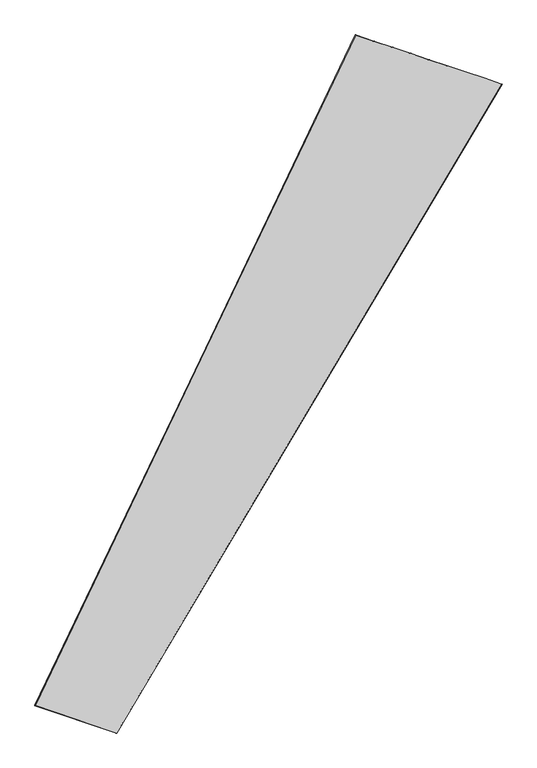
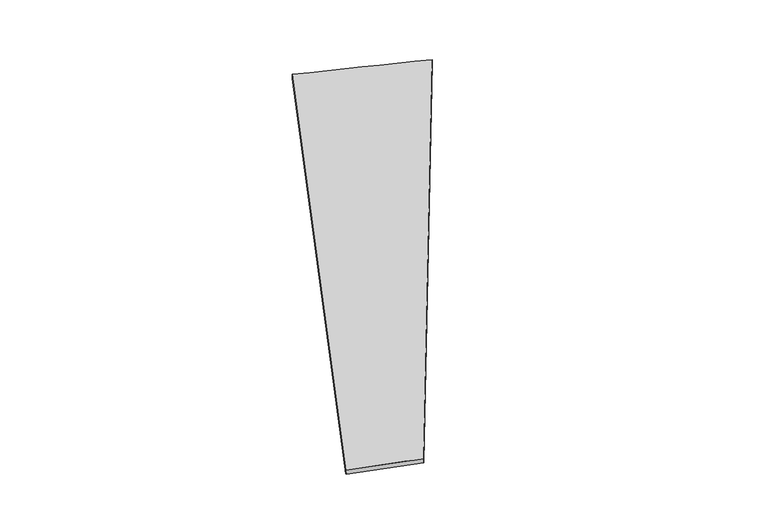
"""IFC4 building model written with IfcOpenShell, lengths in millimetres: proxy geometry."""

from ifc_helpers import new_model, si_unit, origin, place, context, project, spatial, source, transform, mapped, element, save
from ifc_brep_helpers import spline_surface, advanced_brep


def generic_models_9228e976(model_context):
    return source(origin(), model_context, "Body", "AdvancedBrep", [
        advanced_brep(
        [(-661.1572719, -1674.9317554, 9.1243144), (-661.7805902, -1674.6827497, -20.8681758), (1430.2085624, 1846.6880039, -35.0968652), (1430.0821703, 1846.8841998, -5.0977731), (-1101.7180278, -1526.4270851, -38.9654303), (634.814311, 2113.7418552, -24.8841586), (-1104.5640421, -1525.1825498, -9.1266748), (635.6391436, 2113.2301053, 5.1001334)],
        [
            (0, 1),
            (1, 2),
            (2, 3),
            (3, 0),
            (1, 4),
            (4, 5),
            (5, 2),
            (4, 6),
            (6, 7),
            (7, 5),
            (6, 0),
            (3, 7),
        ],
        [
            spline_surface(1, 1, [[(-661.1572719, -1674.9317554, 9.1243144), (1430.0821703, 1846.8841998, -5.0977731)], [(-661.7805902, -1674.6827497, -20.8681758), (1430.2085624, 1846.6880039, -35.0968652)]], [2, 2], [2, 2], [0.0, 1.0], [0.0, 1.0]),
            spline_surface(1, 1, [[(-661.7805902, -1674.6827497, -20.8681758), (1430.2085624, 1846.6880039, -35.0968652)], [(-1101.7180278, -1526.4270851, -38.9654303), (634.814311, 2113.7418552, -24.8841586)]], [2, 2], [2, 2], [0.0, 1.0], [0.0, 1.0]),
            spline_surface(1, 1, [[(-1101.7180278, -1526.4270851, -38.9654303), (634.814311, 2113.7418552, -24.8841586)], [(-1104.5640421, -1525.1825498, -9.1266748), (635.6391436, 2113.2301053, 5.1001334)]], [2, 2], [2, 2], [0.0, 1.0], [0.0, 1.0]),
            spline_surface(1, 1, [[(-1104.5640421, -1525.1825498, -9.1266748), (635.6391436, 2113.2301053, 5.1001334)], [(-661.1572719, -1674.9317554, 9.1243144), (1430.0821703, 1846.8841998, -5.0977731)]], [2, 2], [2, 2], [0.0, 1.0], [0.0, 1.0]),
            spline_surface(1, 1, [[(1430.2085624, 1846.6880039, -35.0968652), (1430.0821703, 1846.8841998, -5.0977731)], [(634.814311, 2113.7418552, -24.8841586), (635.6391436, 2113.2301053, 5.1001334)]], [2, 2], [2, 2], [0.0, 1.0], [0.0, 1.0]),
            spline_surface(1, 1, [[(-1104.5640421, -1525.1825498, -9.1266748), (-661.1572719, -1674.9317554, 9.1243144)], [(-1101.7180278, -1526.4270851, -38.9654303), (-661.7805902, -1674.6827497, -20.8681758)]], [2, 2], [2, 2], [0.0, 1.0], [0.0, 1.0]),
        ],
        [
            (0, [[1, 2, 3, 4]]),
            (1, [[5, 6, 7, -2]]),
            (2, [[8, 9, 10, -6]]),
            (3, [[11, -4, 12, -9]]),
            (4, [[-3, -7, -10, -12]]),
            (5, [[-11, -8, -5, -1]]),
        ],
    ),
    ])


if __name__ == "__main__":
    model = new_model("IFC4")
    model_context = context("Model", 3, world=origin())
    ifc_project = project(units=[si_unit("LENGTHUNIT", "METRE", prefix="MILLI")], contexts=[model_context])
    site = spatial("IfcSite", under=ifc_project)
    building = spatial("IfcBuilding", under=site)
    placement = place(None, origin())
    generic_models_shape = generic_models_9228e976(model_context)
    element("IfcBuildingElementProxy", 1, Name="Generic Models", at=placement, inside=building, context=model_context, shape_type="MappedRepresentation", body=[
        mapped(generic_models_shape, transform((0.0, 0.0, 0.0), x_axis=(1.0, 0.0, 0.0), y_axis=(0.0, 1.0, 0.0), z_axis=(0.0, 0.0, 1.0))),
    ])
    save(model, "model.ifc")
